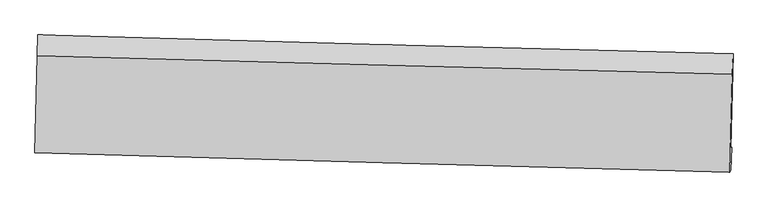
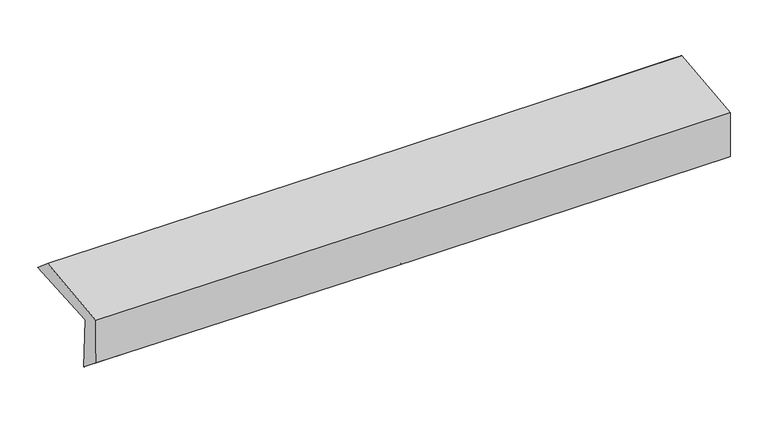
"""IFC4 building model written with IfcOpenShell, lengths in millimetres: proxy geometry."""

from ifc_helpers import new_model, si_unit, frame, origin, place, context, project, spatial, source, transform, mapped, element, save
from ifc_brep_helpers import plane_surface, spline_curve, spline_surface, advanced_brep


def generic_models_cd26aed8(model_context):
    return source(origin(), model_context, "Body", "AdvancedBrep", [
        advanced_brep(
        [(-2436.9708805, -1736.7476565, 1990.8904937), (-2421.4690562, -1072.6813894, 2013.359603), (2421.8071177, -1204.2577835, 2111.0524175), (2405.8048716, -1863.5027734, 2088.7354426), (-2429.239686, -1705.3237198, 1583.7631829), (2412.8892008, -1855.6029379, 1686.0912494), (-2435.7658825, -1878.0002563, 1723.4762286), (2406.9909454, -2013.7789402, 1801.083045), (-2442.220333, -1891.9042297, 2080.5775483), (2400.2709714, -2028.2548961, 2172.8748183), (-2426.9734719, -1217.0643783, 2132.9542879), (2416.2633211, -1348.4431109, 2225.6494822)],
        [
            (0, 1),
            (1, 2, spline_curve(3, [(-2421.4690562, -1072.6813894, 2013.359603), (-1610.793398152, -1095.721538291, 2020.611487186), (-800.193816829, -1118.249199091, 2032.43055381), (814.230336109, -1162.099656073, 2065.069158164), (1618.056146148, -1183.430793377, 2085.814362902), (2421.8071177, -1204.2577835, 2111.0524175)], [4, 2, 4], [0.0, 7.981796019114402, 15.898372107749264])),
            (2, 3),
            (3, 0, spline_curve(3, [(2405.8048716, -1863.5027734, 2088.7354426), (1602.183926116, -1841.50749931, 2063.53876082), (798.464755964, -1819.988307176, 2042.801753245), (-815.792202804, -1777.728725038, 2010.112986347), (-1626.331617047, -1756.996211611, 1998.235011152), (-2436.9708805, -1736.7476565, 1990.8904937)], [4, 2, 4], [0.0, 7.916576088634862, 15.898372107749264])),
            (4, 0),
            (3, 5),
            (5, 4, spline_curve(3, [(2412.8892008, -1855.6029379, 1686.0912494), (1609.597057307, -1821.857694305, 1658.602795195), (806.096426974, -1792.495125544, 1636.344666065), (-807.943085985, -1742.329543065, 1602.148776454), (-1618.485417679, -1721.599039179, 1590.297550133), (-2429.239686, -1705.3237198, 1583.7631829)], [4, 2, 4], [0.0, 7.916173445084648, 15.897563503509701])),
            (6, 4),
            (5, 7),
            (7, 6, spline_curve(3, [(2406.9909454, -2013.7789402, 1801.083045), (1603.16780682, -1994.166536656, 1785.809273468), (799.348689817, -1973.097860074, 1771.726776558), (-814.90365292, -1927.862392558, 1745.838128378), (-1625.336811645, -1903.671507477, 1734.051686773), (-2435.7658825, -1878.0002563, 1723.4762286)], [4, 2, 4], [0.0, 7.915943897565728, 15.89710251736729])),
            (8, 6),
            (7, 9),
            (9, 8, spline_curve(3, [(2400.2709714, -2028.2548961, 2172.8748183), (1596.464067637, -2008.607519618, 2156.702827008), (792.675047143, -1987.474010176, 2140.955196857), (-821.4890169, -1942.048375734, 2110.182419303), (-1631.863764534, -1917.731663081, 2095.164292904), (-2442.220333, -1891.9042297, 2080.5775483)], [4, 2, 4], [0.0, 7.915704824380728, 15.896622401416462])),
            (10, 8),
            (9, 11),
            (11, 10, spline_curve(3, [(2416.2633211, -1348.4431109, 2225.6494822), (1612.369071602, -1327.972049395, 2209.539404415), (808.474583581, -1306.835943347, 2193.789968924), (-805.937676915, -1263.054035225, 2162.885604226), (-1616.455453246, -1240.397230622, 2147.736641451), (-2426.9734719, -1217.0643783, 2132.9542879)], [4, 2, 4], [0.0, 7.916213055751576, 15.897643051172127])),
            (1, 10),
            (11, 2),
        ],
        [
            spline_surface(3, 3, [[(-2436.9708805, -1736.7476565, 1990.8904937), (-1626.331616929, -1756.996211512, 1998.235011109), (-815.79220289, -1777.728724975, 2010.112986383), (798.46475605, -1819.988307239, 2042.80175321), (1602.18392605, -1841.507499385, 2063.538760883), (2405.8048716, -1863.5027734, 2088.7354426)], [(-2431.803605737, -1515.392234136, 1998.380196783), (-1621.152210705, -1536.571320467, 2005.693836486), (-810.592740928, -1557.902216345, 2017.552175544), (803.719949411, -1600.692090218, 2050.224221511), (1607.474666102, -1622.148597416, 2070.963961582), (2411.138953649, -1643.754443436, 2096.174434225)], [(-2426.636330963, -1294.036811764, 2005.869899917), (-1615.97280447, -1316.146429412, 2013.152661914), (-805.393278891, -1338.075707666, 2024.991364702), (808.975142847, -1381.395873148, 2057.64668981), (1612.765406108, -1402.789695439, 2078.389162305), (2416.473035651, -1424.006113464, 2103.613425875)], [(-2421.4690562, -1072.6813894, 2013.359603), (-1610.793398245, -1095.721538367, 2020.611487291), (-800.19381693, -1118.249199036, 2032.430553863), (814.230336208, -1162.099656128, 2065.069158111), (1618.05614616, -1183.43079347, 2085.814363003), (2421.8071177, -1204.2577835, 2111.0524175)]], [4, 4], [4, 2, 4], [0.0, 2.1629078753315887], [0.0, 7.981796019114402, 15.898372107749264]),
            spline_surface(3, 3, [[(-2429.239686, -1705.3237198, 1583.7631829), (-1618.485417803, -1721.599039071, 1590.29755006), (-807.943085956, -1742.329543004, 1602.148776494), (806.096426945, -1792.495125605, 1636.344666026), (1609.597057398, -1821.857694416, 1658.602795079), (2412.8892008, -1855.6029379, 1686.0912494)], [(-2431.816750835, -1715.798365342, 1719.472286497), (-1621.100817514, -1733.398096527, 1726.27670374), (-810.559458265, -1754.12927032, 1738.136846433), (803.552536648, -1801.659519476, 1771.83036173), (1607.126013627, -1828.407629414, 1793.581450346), (2410.527757745, -1858.236216408, 1820.305980466)], [(-2434.393815665, -1726.273010958, 1855.181390103), (-1623.716217218, -1745.197154057, 1862.255857429), (-813.17583058, -1765.928997658, 1874.124916443), (801.008646346, -1810.823913368, 1907.316057505), (1604.654969821, -1834.957564387, 1928.560105616), (2408.166314655, -1860.869494892, 1954.520711534)], [(-2436.9708805, -1736.7476565, 1990.8904937), (-1626.331616929, -1756.996211512, 1998.235011109), (-815.79220289, -1777.728724975, 2010.112986383), (798.46475605, -1819.988307239, 2042.80175321), (1602.18392605, -1841.507499385, 2063.538760883), (2405.8048716, -1863.5027734, 2088.7354426)]], [4, 4], [4, 2, 4], [0.0, 1.3402394959584385], [0.0, 7.9813900584250534, 15.897563503509701]),
            spline_surface(3, 3, [[(-2435.7658825, -1878.0002563, 1723.4762286), (-1625.336811687, -1903.671507511, 1734.051686692), (-814.9036528, -1927.862392439, 1745.838128441), (799.348689698, -1973.097860192, 1771.726776496), (1603.167806784, -1994.166536544, 1785.809273532), (2406.9909454, -2013.7789402, 1801.083045)], [(-2433.590483671, -1820.441410822, 1676.90521339), (-1623.05301373, -1842.98068472, 1686.133641171), (-812.583463837, -1866.018109298, 1697.941677789), (801.597935462, -1912.896948667, 1726.599406337), (1605.310890304, -1936.730255826, 1743.407114071), (2408.957030515, -1961.053606091, 1762.752446489)], [(-2431.415084829, -1762.882565278, 1630.33419811), (-1620.76921576, -1782.289861862, 1638.215595581), (-810.263274919, -1804.173826145, 1650.045227145), (803.847181181, -1852.69603713, 1681.472036185), (1607.453973878, -1879.293975134, 1701.00495454), (2410.923115685, -1908.328272009, 1724.421847911)], [(-2429.239686, -1705.3237198, 1583.7631829), (-1618.485417803, -1721.599039071, 1590.29755006), (-807.943085956, -1742.329543004, 1602.148776494), (806.096426945, -1792.495125605, 1636.344666026), (1609.597057398, -1821.857694416, 1658.602795079), (2412.8892008, -1855.6029379, 1686.0912494)]], [4, 4], [4, 2, 4], [0.0, 0.755646437492405], [0.0, 7.981158619801563, 15.89710251736729]),
            spline_surface(3, 3, [[(-2442.220333, -1891.9042297, 2080.5775483), (-1631.863764438, -1917.731662972, 2095.16429283), (-821.489016873, -1942.048375689, 2110.182419284), (792.675047116, -1987.47401022, 2140.955196876), (1596.464067715, -2008.60751967, 2156.702827067), (2400.2709714, -2028.2548961, 2172.8748183)], [(-2440.068849496, -1887.269571872, 1961.543775067), (-1629.688113517, -1913.044944457, 1974.793424117), (-819.293895521, -1937.319714589, 1988.734322356), (794.899594637, -1982.681960194, 2017.879056769), (1598.698647421, -2003.793858626, 2033.071642552), (2402.51096275, -2023.429577465, 2048.944227197)], [(-2437.917366004, -1882.634914128, 1842.510001833), (-1627.512462608, -1908.358226026, 1854.422555404), (-817.098774152, -1932.591053539, 1867.286225369), (797.124142177, -1977.889910218, 1894.802916603), (1600.933227077, -1998.980197587, 1909.440458047), (2404.75095405, -2018.604258835, 1925.013636103)], [(-2435.7658825, -1878.0002563, 1723.4762286), (-1625.336811687, -1903.671507511, 1734.051686692), (-814.9036528, -1927.862392439, 1745.838128441), (799.348689698, -1973.097860192, 1771.726776496), (1603.167806784, -1994.166536544, 1785.809273532), (2406.9909454, -2013.7789402, 1801.083045)]], [4, 4], [4, 2, 4], [0.0, 1.2044095811815767], [0.0, 7.980917577035734, 15.896622401416462]),
            spline_surface(3, 3, [[(-2426.9734719, -1217.0643783, 2132.9542879), (-1616.455453123, -1240.397230558, 2147.736641396), (-805.937676866, -1263.054035336, 2162.885604172), (808.474583533, -1306.835943237, 2193.789968977), (1612.369071585, -1327.972049366, 2209.539404316), (2416.2633211, -1348.4431109, 2225.6494822)], [(-2432.055758925, -1442.010995433, 2115.495374676), (-1621.591556887, -1466.175374696, 2130.212525183), (-811.121456881, -1489.385482117, 2145.317875879), (803.208071381, -1533.715298895, 2176.17837828), (1607.067403609, -1554.850539471, 2191.927211894), (2410.932537848, -1575.047039303, 2208.057927561)], [(-2437.138045975, -1666.957612567, 2098.036461524), (-1626.727660675, -1691.953518834, 2112.688409043), (-816.305236858, -1715.716928908, 2127.750147576), (797.941559268, -1760.594654562, 2158.566787573), (1601.765735691, -1781.729029565, 2174.315019489), (2405.601754652, -1801.650967697, 2190.466372939)], [(-2442.220333, -1891.9042297, 2080.5775483), (-1631.863764438, -1917.731662972, 2095.16429283), (-821.489016873, -1942.048375689, 2110.182419284), (792.675047116, -1987.47401022, 2140.955196876), (1596.464067715, -2008.60751967, 2156.702827067), (2400.2709714, -2028.2548961, 2172.8748183)]], [4, 4], [4, 2, 4], [0.0, 2.2376459538180518], [0.0, 7.981429995420551, 15.897643051172127]),
            spline_surface(3, 3, [[(-2421.4690562, -1072.6813894, 2013.359603), (-1610.793398245, -1095.721538367, 2020.611487291), (-800.19381693, -1118.249199036, 2032.430553863), (814.230336208, -1162.099656128, 2065.069158111), (1618.05614616, -1183.43079347, 2085.814363003), (2421.8071177, -1204.2577835, 2111.0524175)], [(-2423.303861436, -1120.809052394, 2053.224497987), (-1612.680749874, -1143.946769125, 2062.98653868), (-802.108436881, -1166.517477809, 2075.915570635), (812.31175201, -1210.345085171, 2107.976095068), (1616.160454629, -1231.611212098, 2127.056043436), (2419.959185493, -1252.319559296, 2149.251439062)], [(-2425.138666664, -1168.936715306, 2093.089392913), (-1614.568101495, -1192.1719998, 2105.361590007), (-804.023056915, -1214.785756563, 2119.400587401), (810.393167731, -1258.590514194, 2150.88303202), (1614.264763117, -1279.791630738, 2168.297723884), (2418.111253307, -1300.381335104, 2187.450460638)], [(-2426.9734719, -1217.0643783, 2132.9542879), (-1616.455453123, -1240.397230558, 2147.736641396), (-805.937676866, -1263.054035336, 2162.885604172), (808.474583533, -1306.835943237, 2193.789968977), (1612.369071585, -1327.972049366, 2209.539404316), (2416.2633211, -1348.4431109, 2225.6494822)]], [4, 4], [4, 2, 4], [0.0, 0.6377540563480555], [0.0, 7.982092113518256, 15.89896187714455]),
            plane_surface(frame((2410.6710713, -1718.973407, 2014.2477425), z_axis=(0.9995451589232306, -0.02484139992106275, 0.017099126383989534), x_axis=(0.018057933799696675, 0.03889983078079167, -0.999079933835182))),
            plane_surface(frame((-2432.1065517, -1583.6202717, 1920.8368907), z_axis=(-0.999567163686774, 0.02391348301567012, -0.017135653160514575), x_axis=(-0.023324093196328485, -0.9991561775891874, -0.033807091888143154))),
        ],
        [
            (0, [[1, 2, 3, 4]]),
            (1, [[5, -4, 6, 7]]),
            (2, [[8, -7, 9, 10]]),
            (3, [[11, -10, 12, 13]]),
            (4, [[14, -13, 15, 16]]),
            (5, [[17, -16, 18, -2]]),
            (6, [[-12, -9, -6, -3, -18, -15]]),
            (7, [[-1, -5, -8, -11, -14, -17]]),
        ],
    ),
    ])


if __name__ == "__main__":
    model = new_model("IFC4")
    model_context = context("Model", 3, world=origin())
    ifc_project = project(units=[si_unit("LENGTHUNIT", "METRE", prefix="MILLI")], contexts=[model_context])
    site = spatial("IfcSite", under=ifc_project)
    building = spatial("IfcBuilding", under=site)
    placement = place(None, origin())
    generic_models_shape = generic_models_cd26aed8(model_context)
    element("IfcBuildingElementProxy", 1, Name="Generic Models", at=placement, inside=building, context=model_context, shape_type="MappedRepresentation", body=[
        mapped(generic_models_shape, transform((0.0, 0.0, 0.0), x_axis=(1.0, 0.0, 0.0), y_axis=(0.0, 1.0, 0.0), z_axis=(0.0, 0.0, 1.0))),
    ])
    save(model, "model.ifc")
